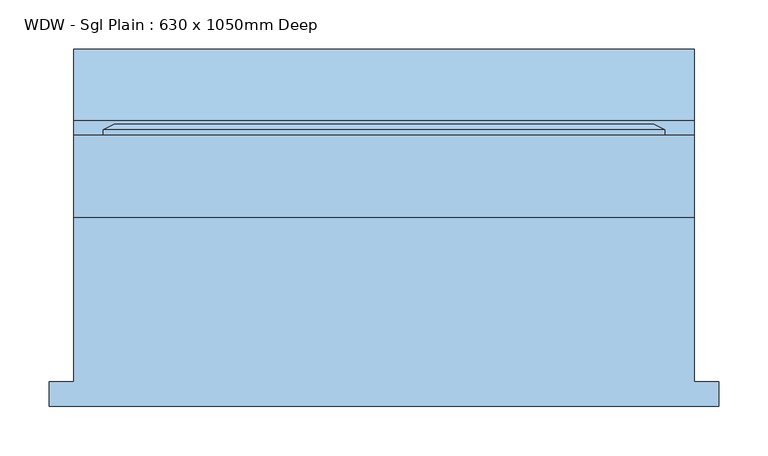
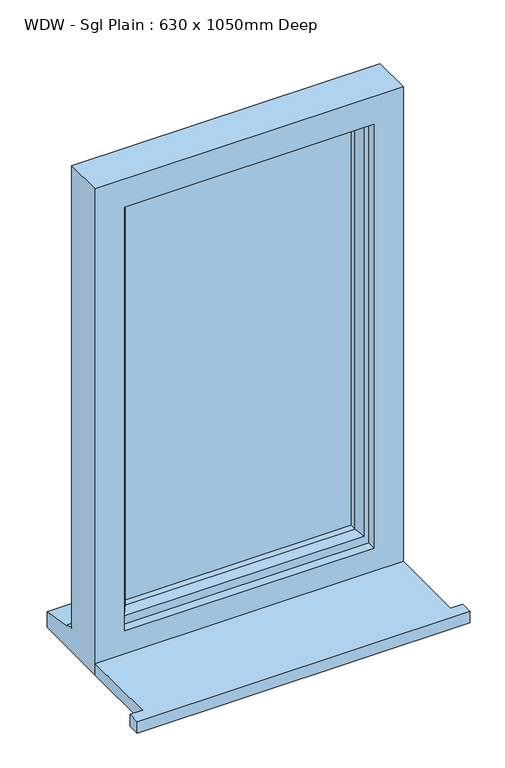
"""IFC4 building model written with IfcOpenShell, lengths in millimetres: window geometry, WDW - Sgl Plain : 630 x 1050mm Deep."""

from ifc_helpers import new_model, si_unit, frame, origin, place, context, project, spatial, polyline, outline, extrude, faceted_brep, source, transform, mapped, element, save


def wdw_sgl_plain_630_x_1050mm_deep_dbb50839(model_context):
    return source(origin(), model_context, "Body", "SolidModel", [
        extrude(outline(polyline([(-340.0, -166.5434322), (-340.0, -141.5434322), (-315.0, -141.5434322), (-315.0, 25.4565678), (315.0, 25.4565678), (315.0, -141.5434322), (340.0, -141.5434322), (340.0, -166.5434322), (-340.0, -166.5434322)])), frame((0.0, 0.0, 1060.0), z_axis=(0.0, 0.0, 1.0), x_axis=(1.0, 0.0, 0.0)), (0.0, 0.0, 1.0), 25.0),
        faceted_brep([(-315.0, 25.4565678, 1060.0), (315.0, 25.4565678, 1060.0), (315.0, 25.4565678, 2110.0), (-315.0, 25.4565678, 2110.0), (-255.0, 25.4565678, 2050.0), (255.0, 25.4565678, 2050.0), (255.0, 25.4565678, 1135.0), (-255.0, 25.4565678, 1135.0), (-315.0, 108.4565678, 2110.0), (-315.0, 108.4565678, 1111.0), (-315.0, 123.4565678, 1109.68767), (-315.0, 123.4565678, 1104.7449676), (-315.0, 195.9565678, 1093.8088847), (-315.0, 195.9565678, 1060.0), (315.0, 108.4565678, 2110.0), (315.0, 108.4565678, 1111.0), (-275.0, 108.4565678, 2070.0), (-275.0, 108.4565678, 1123.0), (275.0, 108.4565678, 1123.0), (275.0, 108.4565678, 2070.0), (-275.0, 43.4565678, 2070.0), (-275.0, 43.4565678, 1123.0), (275.0, 43.4565678, 2070.0), (275.0, 43.4565678, 1123.0), (-255.0, 43.4565678, 2050.0), (-255.0, 43.4565678, 1135.0), (255.0, 43.4565678, 1135.0), (255.0, 43.4565678, 2050.0), (315.0, 195.9565678, 1060.0), (315.0, 195.9565678, 1093.8088847), (315.0, 123.4565678, 1104.7449676), (315.0, 123.4565678, 1109.68767)], [[[0, 1, 2, 3], [4, 5, 6, 7]], [[0, 3, 8, 9, 10, 11, 12, 13]], [[9, 8, 14, 15], [16, 17, 18, 19]], [[17, 16, 20, 21]], [[20, 22, 23, 21], [24, 25, 26, 27]], [[24, 4, 7, 25]], [[3, 2, 14, 8]], [[16, 19, 22, 20]], [[5, 4, 24, 27]], [[15, 14, 2, 1, 28, 29, 30, 31]], [[19, 18, 23, 22]], [[5, 27, 26, 6]], [[28, 1, 0, 13]], [[29, 28, 13, 12]], [[30, 29, 12, 11]], [[31, 30, 11, 10]], [[15, 31, 10, 9]], [[21, 23, 18, 17]], [[7, 6, 26, 25]]]),
        extrude(outline(polyline([(245.0, 72.4565678), (-245.0, 72.4565678), (-245.0, 96.4565678), (245.0, 96.4565678), (245.0, 72.4565678)])), frame((0.0, 0.0, 1153.0), z_axis=(0.0, 0.0, 1.0), x_axis=(1.0, 0.0, 0.0)), (0.0, 0.0, 1.0), 887.0),
        faceted_brep([(-285.0, 108.4565678, 2080.0), (-285.0, 114.2300705, 2080.0), (-285.0, 114.2300705, 1113.0), (-285.0, 108.4565678, 1113.0), (-275.0, 43.4565678, 2070.0), (-275.0, 108.4565678, 2070.0), (-275.0, 108.4565678, 1123.0), (-275.0, 43.4565678, 1123.0), (-235.0, 57.9494677, 2030.0), (-245.1480377, 43.4565678, 2040.1480377), (-245.1480377, 43.4565678, 1152.8519623), (-235.0, 57.9494677, 1163.0), (-235.0, 72.4565678, 2030.0), (-235.0, 72.4565678, 1163.0), (-245.0, 96.4565678, 2040.0), (-245.0, 72.4565678, 2040.0), (-245.0, 72.4565678, 1153.0), (-245.0, 96.4565678, 1153.0), (-235.0, 114.2300705, 2030.0), (-235.0, 96.4565678, 2030.0), (-235.0, 96.4565678, 1163.0), (-235.0, 114.2300705, 1163.0), (-252.4457548, 120.0035732, 2047.4457548), (-252.4457548, 120.0035732, 1145.5542452), (-274.2153903, 120.0035732, 2069.2153903), (-274.2153903, 120.0035732, 1123.7846097), (285.0, 114.2300705, 1113.0), (285.0, 108.4565678, 1113.0), (275.0, 108.4565678, 1123.0), (275.0, 43.4565678, 1123.0), (245.1480377, 43.4565678, 1152.8519623), (235.0, 57.9494677, 1163.0), (235.0, 72.4565678, 1163.0), (245.0, 72.4565678, 1153.0), (245.0, 96.4565678, 1153.0), (235.0, 96.4565678, 1163.0), (235.0, 114.2300705, 1163.0), (252.4457548, 120.0035732, 1145.5542452), (274.2153903, 120.0035732, 1123.7846097), (285.0, 114.2300705, 2080.0), (285.0, 108.4565678, 2080.0), (275.0, 108.4565678, 2070.0), (275.0, 43.4565678, 2070.0), (245.1480377, 43.4565678, 2040.1480377), (235.0, 57.9494677, 2030.0), (235.0, 72.4565678, 2030.0), (245.0, 72.4565678, 2040.0), (245.0, 96.4565678, 2040.0), (235.0, 96.4565678, 2030.0), (235.0, 114.2300705, 2030.0), (252.4457548, 120.0035732, 2047.4457548), (274.2153903, 120.0035732, 2069.2153903)], [[[0, 1, 2, 3]], [[4, 5, 6, 7]], [[8, 9, 10, 11]], [[12, 8, 11, 13]], [[14, 15, 16, 17]], [[18, 19, 20, 21]], [[22, 18, 21, 23]], [[1, 24, 25, 2]], [[3, 2, 26, 27]], [[7, 6, 28, 29]], [[11, 10, 30, 31]], [[13, 11, 31, 32]], [[17, 16, 33, 34]], [[21, 20, 35, 36]], [[23, 21, 36, 37]], [[2, 25, 38, 26]], [[27, 26, 39, 40]], [[29, 28, 41, 42]], [[31, 30, 43, 44]], [[32, 31, 44, 45]], [[34, 33, 46, 47]], [[36, 35, 48, 49]], [[37, 36, 49, 50]], [[26, 38, 51, 39]], [[40, 39, 1, 0]], [[3, 27, 40, 0], [5, 41, 28, 6]], [[42, 41, 5, 4]], [[7, 29, 42, 4], [9, 43, 30, 10]], [[44, 43, 9, 8]], [[45, 44, 8, 12]], [[15, 46, 33, 16], [13, 32, 45, 12]], [[47, 46, 15, 14]], [[17, 34, 47, 14], [19, 48, 35, 20]], [[49, 48, 19, 18]], [[50, 49, 18, 22]], [[24, 51, 38, 25], [23, 37, 50, 22]], [[39, 51, 24, 1]]]),
    ])


if __name__ == "__main__":
    model = new_model("IFC4")
    model_context = context("Model", 3, world=origin())
    ifc_project = project(units=[si_unit("LENGTHUNIT", "METRE", prefix="MILLI")], contexts=[model_context])
    site = spatial("IfcSite", under=ifc_project)
    building = spatial("IfcBuilding", under=site)
    placement = place(None, origin())
    wdw_sgl_plain_630_x_1050mm_deep_shape = wdw_sgl_plain_630_x_1050mm_deep_dbb50839(model_context)
    element("IfcWindow", 1, ObjectType="WDW - Sgl Plain : 630 x 1050mm Deep", at=placement, inside=building, context=model_context, shape_type="MappedRepresentation", body=[
        mapped(wdw_sgl_plain_630_x_1050mm_deep_shape, transform((0.0, 0.0, 0.0), x_axis=(1.0, 0.0, 0.0), y_axis=(0.0, 1.0, 0.0), z_axis=(0.0, 0.0, 1.0))),
    ])
    save(model, "model.ifc")
